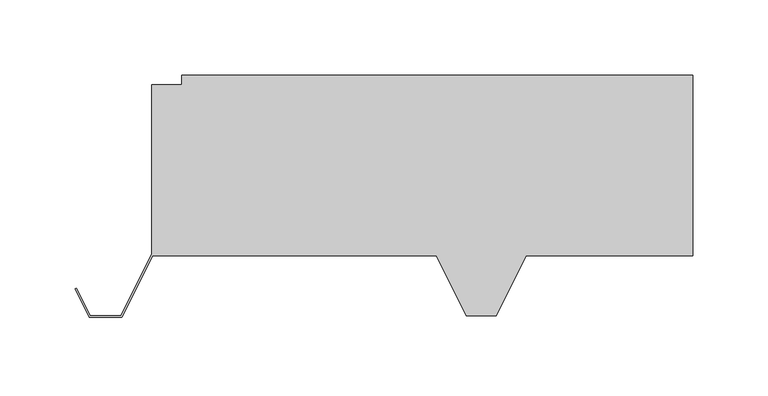
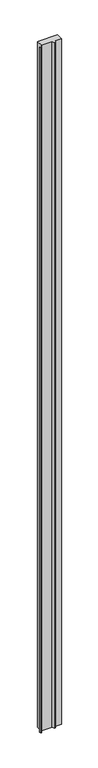
"""IFC4 building model written with IfcOpenShell, lengths in millimetres: plate geometry."""

import ifcopenshell
import ifcopenshell.guid

model = None  # the IFC model being written
_history = None  # IfcOwnerHistory: only IFC2X3 demands one
_inside = {}  # id of a spatial element -> (the spatial element, [elements in it])
_under = {}  # id of a project, library or spatial element -> (it, [spatial elements below it])
_declared = {}  # id of a project -> (the project, [libraries it declares])
_typed = {}  # id of a type object -> (the type object, [elements of that type])
_made_of = {}  # id of a material, layer set ... -> (it, [elements and type objects made of it])


def new_model(schema):
    """Start an empty IFC model of exactly this schema.

    Asked for "IFC4X3", IfcOpenShell would pick the latest addendum, in which some entities
    have other attributes; the version numbers below select the first issue.
    IFC2X3 requires an IfcOwnerHistory on every rooted entity: one is made here for all.
    """
    global model, _history
    if schema == "IFC4X3":
        model = ifcopenshell.file(schema_version=(4, 3, 0, 0))
    else:
        model = ifcopenshell.file(schema=schema)
    _inside.clear()
    _under.clear()
    _declared.clear()
    _typed.clear()
    _made_of.clear()
    _history = None
    if model.schema == "IFC2X3":
        org = make("IfcOrganization", Name="unknown")
        user = make(
            "IfcPersonAndOrganization",
            ThePerson=make("IfcPerson", FamilyName="unknown"),
            TheOrganization=org,
        )
        app = make(
            "IfcApplication",
            ApplicationDeveloper=org,
            Version="unknown",
            ApplicationFullName="unknown",
            ApplicationIdentifier="unknown",
        )
        _history = make(
            "IfcOwnerHistory",
            OwningUser=user,
            OwningApplication=app,
            ChangeAction="ADDED",
            CreationDate=0,
        )
    return model


def make(cls, **values):
    """One entity of the class cls with the attributes given. An attribute that is None is left unset."""
    return model.create_entity(
        cls, **{name: value for name, value in values.items() if value is not None}
    )


def rooted(cls, **values):
    """An entity with a GlobalId (a new one), such as an element, a storey or a relation."""
    return make(cls, GlobalId=ifcopenshell.guid.new(), OwnerHistory=_history, **values)


def si_unit(unit_type, name, prefix=None):
    """IfcSIUnit, for example si_unit("LENGTHUNIT", "METRE", prefix="MILLI")."""
    return make("IfcSIUnit", UnitType=unit_type, Prefix=prefix, Name=name)


def assignment(units):
    """IfcUnitAssignment: the units of a project."""
    return None if units is None else make("IfcUnitAssignment", Units=units)


def point(xyz):
    """IfcCartesianPoint."""
    return None if xyz is None else make("IfcCartesianPoint", Coordinates=xyz)


def direction(xyz):
    """IfcDirection."""
    return None if xyz is None else make("IfcDirection", DirectionRatios=xyz)


def frame(location, z_axis=None, x_axis=None):
    """IfcAxis2Placement3D, a coordinate frame: its origin and axes. An axis left out is left unset."""
    return make(
        "IfcAxis2Placement3D",
        Location=point(location),
        Axis=direction(z_axis),
        RefDirection=direction(x_axis),
    )


def origin():
    """The frame at (0, 0, 0) with its axes left unset."""
    return frame((0.0, 0.0, 0.0))


def origin_with_axes():
    """The frame at (0, 0, 0) with the z axis (0, 0, 1) and the x axis (1, 0, 0) written out."""
    return frame((0.0, 0.0, 0.0), z_axis=(0.0, 0.0, 1.0), x_axis=(1.0, 0.0, 0.0))


def place(relative_to, where):
    """IfcLocalPlacement: puts the frame where relative to a parent placement (None: the world)."""
    return make(
        "IfcLocalPlacement", PlacementRelTo=relative_to, RelativePlacement=where
    )


def context(
    kind, dimensions, precision=None, world=None, true_north=None, identifier=None
):
    """IfcGeometricRepresentationContext, for example the 3D "Model" context."""
    return make(
        "IfcGeometricRepresentationContext",
        ContextIdentifier=identifier,
        ContextType=kind,
        CoordinateSpaceDimension=dimensions,
        Precision=precision,
        WorldCoordinateSystem=world,
        TrueNorth=true_north,
    )


def project(units=None, contexts=None):
    """IfcProject with its units and contexts."""
    return rooted(
        "IfcProject",
        Name="project",
        RepresentationContexts=contexts,
        UnitsInContext=assignment(units),
    )


def spatial(cls, under=None, at=None, **own):
    """A site, building, storey or space (cls), placed at a placement, below another one or the project."""
    s = rooted(cls, ObjectPlacement=at, **own)
    if under is not None:
        _under.setdefault(under.id(), (under, []))[1].append(s)
    return s


def polyline(points):
    """IfcPolyline through the points."""
    return make("IfcPolyline", Points=[point(p) for p in points])


def outline(outer, holes=None, kind="AREA"):
    """IfcArbitraryClosedProfileDef: a profile drawn as a closed curve; with holes, ...WithVoids."""
    if holes is None:
        return make("IfcArbitraryClosedProfileDef", ProfileType=kind, OuterCurve=outer)
    return make(
        "IfcArbitraryProfileDefWithVoids",
        ProfileType=kind,
        OuterCurve=outer,
        InnerCurves=holes,
    )


def extrude(swept, where, along, depth):
    """IfcExtrudedAreaSolid: the profile swept, set in the frame where, extruded along a direction by depth."""
    return make(
        "IfcExtrudedAreaSolid",
        SweptArea=swept,
        Position=where,
        ExtrudedDirection=direction(along),
        Depth=depth,
    )


def shape(context_of_items, identifier, shape_type, items):
    """IfcShapeRepresentation: the items that make up one representation, for example the "Body"."""
    return make(
        "IfcShapeRepresentation",
        ContextOfItems=context_of_items,
        RepresentationIdentifier=identifier,
        RepresentationType=shape_type,
        Items=items,
    )


def source(mapping_origin, context_of_items, identifier, shape_type, items):
    """IfcRepresentationMap: a shape defined once, which mapped items show again and again."""
    return make(
        "IfcRepresentationMap",
        MappingOrigin=mapping_origin,
        MappedRepresentation=shape(context_of_items, identifier, shape_type, items),
    )


def transform(
    local_origin,
    x_axis=None,
    y_axis=None,
    z_axis=None,
    scale=None,
    scale2=None,
    scale3=None,
    uniform=True,
):
    """IfcCartesianTransformationOperator3D, or its non-uniform kind. x_axis, y_axis, z_axis: its Axis1, 2, 3."""
    if uniform:
        return make(
            "IfcCartesianTransformationOperator3D",
            Axis1=direction(x_axis),
            Axis2=direction(y_axis),
            LocalOrigin=point(local_origin),
            Scale=scale,
            Axis3=direction(z_axis),
        )
    return make(
        "IfcCartesianTransformationOperator3DnonUniform",
        Axis1=direction(x_axis),
        Axis2=direction(y_axis),
        LocalOrigin=point(local_origin),
        Scale=scale,
        Axis3=direction(z_axis),
        Scale2=scale2,
        Scale3=scale3,
    )


def mapped(mapping_source, mapping_target):
    """IfcMappedItem: shows the shape of a source again, moved by a transform."""
    return make(
        "IfcMappedItem", MappingSource=mapping_source, MappingTarget=mapping_target
    )


def made_of(thing, what):
    """Note that an element or type object is made of a material, layer set ...; save() writes the relation."""
    if what is not None:
        _made_of.setdefault(what.id(), (what, []))[1].append(thing)
    return thing


def element(
    cls,
    number,
    at=None,
    inside=None,
    cuts=None,
    type_object=None,
    material=None,
    context=None,
    identifier="Body",
    shape_type=None,
    held_by="IfcProductDefinitionShape",
    body=None,
    shapes=None,
    **own,
):
    """One element of the class cls, such as IfcWall. Its Tag is "e" and its number.

    at: its placement. inside: the storey or other place that contains it. cuts: it is an
    opening in that element (IfcRelVoidsElement). A single representation is given by context,
    identifier, shape_type and body (its items); several are given by shapes. held_by: the class
    of the entity that holds the representations. save() writes the other relations.
    """
    e = rooted(cls, Tag="e%d" % number, ObjectPlacement=at, **own)
    if body is not None:
        shapes = [shape(context, identifier, shape_type, body)]
    if shapes is not None:
        e.Representation = make(held_by, Representations=shapes)
    if inside is not None:
        _inside.setdefault(inside.id(), (inside, []))[1].append(e)
    if cuts is not None:
        rooted(
            "IfcRelVoidsElement", RelatingBuildingElement=cuts, RelatedOpeningElement=e
        )
    if type_object is not None:
        _typed.setdefault(type_object.id(), (type_object, []))[1].append(e)
    return made_of(e, material)


def aggregate(whole, parts):
    """IfcRelAggregates: a whole, such as a stair, and the parts it consists of."""
    return rooted("IfcRelAggregates", RelatingObject=whole, RelatedObjects=parts)


def save(model, path):
    """Write the relations noted so far, then the file.

    IfcRelAggregates (storeys below a building ...), IfcRelContainedInSpatialStructure (elements
    in a storey), IfcRelDefinesByType, IfcRelAssociatesMaterial and IfcRelDeclares: one each for
    every whole, place, type object, material and project.
    """
    for whole, parts in _under.values():
        aggregate(whole, parts)
    for where, things in _inside.values():
        rooted(
            "IfcRelContainedInSpatialStructure",
            RelatedElements=things,
            RelatingStructure=where,
        )
    for kind, things in _typed.values():
        rooted("IfcRelDefinesByType", RelatedObjects=things, RelatingType=kind)
    for what, things in _made_of.values():
        rooted("IfcRelAssociatesMaterial", RelatedObjects=things, RelatingMaterial=what)
    for by, libraries in _declared.values():
        rooted("IfcRelDeclares", RelatingContext=by, RelatedDefinitions=libraries)
    model.write(path)


def plate_b43da1bb(model_context):
    return source(origin(), model_context, "Body", "SweptSolid", [
        extrude(outline(polyline([(69.2444272, -120.0), (49.2444272, -160.0), (29.2444272, -160.0), (9.2444272, -120.0), (-179.5055728, -120.0), (-200.0055728, -161.0), (-221.5055728, -161.0), (-230.9818107, -142.0475242), (-230.266269, -141.6897533), (-221.0111456, -160.2), (-200.5, -160.2), (-180.0, -119.2), (-180.0, -6.496736), (-160.0, -6.496736), (-160.0, 0.0), (180.0, 0.0), (180.0, -120.0), (69.2444272, -120.0)])), origin_with_axes(), (0.0, 0.0, 1.0), 12918.2129182),
    ])


if __name__ == "__main__":
    model = new_model("IFC4")
    model_context = context("Model", 3, world=origin())
    ifc_project = project(units=[si_unit("LENGTHUNIT", "METRE", prefix="MILLI")], contexts=[model_context])
    site = spatial("IfcSite", under=ifc_project)
    building = spatial("IfcBuilding", under=site)
    placement = place(None, origin())
    plate_shape = plate_b43da1bb(model_context)
    element("IfcPlate", 1, at=placement, inside=building, context=model_context, shape_type="MappedRepresentation", body=[
        mapped(plate_shape, transform((0.0, 0.0, 0.0), x_axis=(1.0, 0.0, 0.0), y_axis=(0.0, 1.0, 0.0), z_axis=(0.0, 0.0, 1.0))),
    ])
    save(model, "model.ifc")
